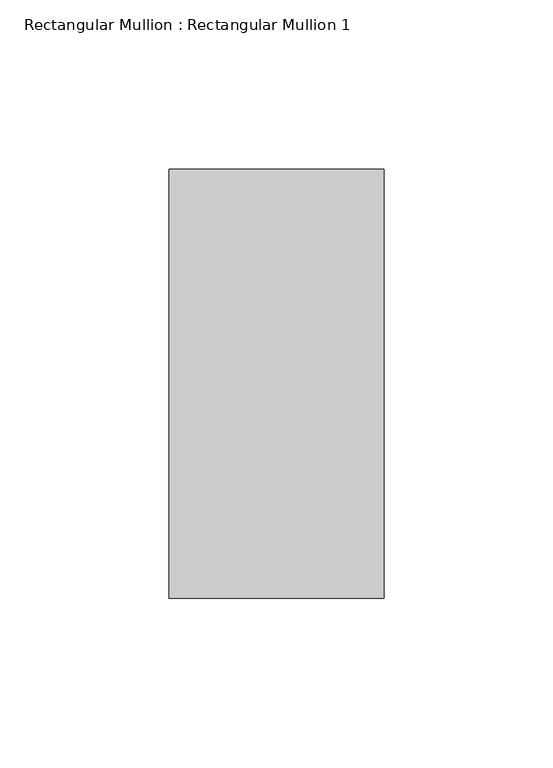
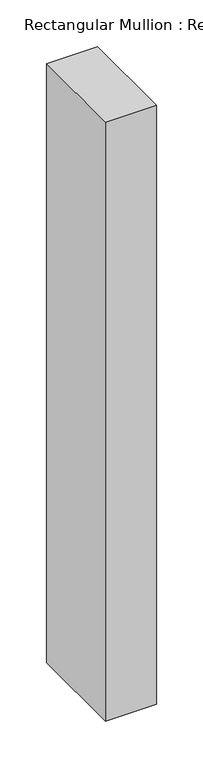
"""IFC4 building model written with IfcOpenShell, lengths in millimetres: member geometry, Rectangular Mullion : Rectangular Mullion 1."""

import ifcopenshell
import ifcopenshell.guid

model = None  # the IFC model being written
_history = None  # IfcOwnerHistory: only IFC2X3 demands one
_inside = {}  # id of a spatial element -> (the spatial element, [elements in it])
_under = {}  # id of a project, library or spatial element -> (it, [spatial elements below it])
_declared = {}  # id of a project -> (the project, [libraries it declares])
_typed = {}  # id of a type object -> (the type object, [elements of that type])
_made_of = {}  # id of a material, layer set ... -> (it, [elements and type objects made of it])


def new_model(schema):
    """Start an empty IFC model of exactly this schema.

    Asked for "IFC4X3", IfcOpenShell would pick the latest addendum, in which some entities
    have other attributes; the version numbers below select the first issue.
    IFC2X3 requires an IfcOwnerHistory on every rooted entity: one is made here for all.
    """
    global model, _history
    if schema == "IFC4X3":
        model = ifcopenshell.file(schema_version=(4, 3, 0, 0))
    else:
        model = ifcopenshell.file(schema=schema)
    _inside.clear()
    _under.clear()
    _declared.clear()
    _typed.clear()
    _made_of.clear()
    _history = None
    if model.schema == "IFC2X3":
        org = make("IfcOrganization", Name="unknown")
        user = make(
            "IfcPersonAndOrganization",
            ThePerson=make("IfcPerson", FamilyName="unknown"),
            TheOrganization=org,
        )
        app = make(
            "IfcApplication",
            ApplicationDeveloper=org,
            Version="unknown",
            ApplicationFullName="unknown",
            ApplicationIdentifier="unknown",
        )
        _history = make(
            "IfcOwnerHistory",
            OwningUser=user,
            OwningApplication=app,
            ChangeAction="ADDED",
            CreationDate=0,
        )
    return model


def make(cls, **values):
    """One entity of the class cls with the attributes given. An attribute that is None is left unset."""
    return model.create_entity(
        cls, **{name: value for name, value in values.items() if value is not None}
    )


def rooted(cls, **values):
    """An entity with a GlobalId (a new one), such as an element, a storey or a relation."""
    return make(cls, GlobalId=ifcopenshell.guid.new(), OwnerHistory=_history, **values)


def si_unit(unit_type, name, prefix=None):
    """IfcSIUnit, for example si_unit("LENGTHUNIT", "METRE", prefix="MILLI")."""
    return make("IfcSIUnit", UnitType=unit_type, Prefix=prefix, Name=name)


def assignment(units):
    """IfcUnitAssignment: the units of a project."""
    return None if units is None else make("IfcUnitAssignment", Units=units)


def point(xyz):
    """IfcCartesianPoint."""
    return None if xyz is None else make("IfcCartesianPoint", Coordinates=xyz)


def direction(xyz):
    """IfcDirection."""
    return None if xyz is None else make("IfcDirection", DirectionRatios=xyz)


def frame(location, z_axis=None, x_axis=None):
    """IfcAxis2Placement3D, a coordinate frame: its origin and axes. An axis left out is left unset."""
    return make(
        "IfcAxis2Placement3D",
        Location=point(location),
        Axis=direction(z_axis),
        RefDirection=direction(x_axis),
    )


def origin():
    """The frame at (0, 0, 0) with its axes left unset."""
    return frame((0.0, 0.0, 0.0))


def place(relative_to, where):
    """IfcLocalPlacement: puts the frame where relative to a parent placement (None: the world)."""
    return make(
        "IfcLocalPlacement", PlacementRelTo=relative_to, RelativePlacement=where
    )


def context(
    kind, dimensions, precision=None, world=None, true_north=None, identifier=None
):
    """IfcGeometricRepresentationContext, for example the 3D "Model" context."""
    return make(
        "IfcGeometricRepresentationContext",
        ContextIdentifier=identifier,
        ContextType=kind,
        CoordinateSpaceDimension=dimensions,
        Precision=precision,
        WorldCoordinateSystem=world,
        TrueNorth=true_north,
    )


def project(units=None, contexts=None):
    """IfcProject with its units and contexts."""
    return rooted(
        "IfcProject",
        Name="project",
        RepresentationContexts=contexts,
        UnitsInContext=assignment(units),
    )


def spatial(cls, under=None, at=None, **own):
    """A site, building, storey or space (cls), placed at a placement, below another one or the project."""
    s = rooted(cls, ObjectPlacement=at, **own)
    if under is not None:
        _under.setdefault(under.id(), (under, []))[1].append(s)
    return s


def polyline(points):
    """IfcPolyline through the points."""
    return make("IfcPolyline", Points=[point(p) for p in points])


def outline(outer, holes=None, kind="AREA"):
    """IfcArbitraryClosedProfileDef: a profile drawn as a closed curve; with holes, ...WithVoids."""
    if holes is None:
        return make("IfcArbitraryClosedProfileDef", ProfileType=kind, OuterCurve=outer)
    return make(
        "IfcArbitraryProfileDefWithVoids",
        ProfileType=kind,
        OuterCurve=outer,
        InnerCurves=holes,
    )


def extrude(swept, where, along, depth):
    """IfcExtrudedAreaSolid: the profile swept, set in the frame where, extruded along a direction by depth."""
    return make(
        "IfcExtrudedAreaSolid",
        SweptArea=swept,
        Position=where,
        ExtrudedDirection=direction(along),
        Depth=depth,
    )


def shape(context_of_items, identifier, shape_type, items):
    """IfcShapeRepresentation: the items that make up one representation, for example the "Body"."""
    return make(
        "IfcShapeRepresentation",
        ContextOfItems=context_of_items,
        RepresentationIdentifier=identifier,
        RepresentationType=shape_type,
        Items=items,
    )


def source(mapping_origin, context_of_items, identifier, shape_type, items):
    """IfcRepresentationMap: a shape defined once, which mapped items show again and again."""
    return make(
        "IfcRepresentationMap",
        MappingOrigin=mapping_origin,
        MappedRepresentation=shape(context_of_items, identifier, shape_type, items),
    )


def transform(
    local_origin,
    x_axis=None,
    y_axis=None,
    z_axis=None,
    scale=None,
    scale2=None,
    scale3=None,
    uniform=True,
):
    """IfcCartesianTransformationOperator3D, or its non-uniform kind. x_axis, y_axis, z_axis: its Axis1, 2, 3."""
    if uniform:
        return make(
            "IfcCartesianTransformationOperator3D",
            Axis1=direction(x_axis),
            Axis2=direction(y_axis),
            LocalOrigin=point(local_origin),
            Scale=scale,
            Axis3=direction(z_axis),
        )
    return make(
        "IfcCartesianTransformationOperator3DnonUniform",
        Axis1=direction(x_axis),
        Axis2=direction(y_axis),
        LocalOrigin=point(local_origin),
        Scale=scale,
        Axis3=direction(z_axis),
        Scale2=scale2,
        Scale3=scale3,
    )


def mapped(mapping_source, mapping_target):
    """IfcMappedItem: shows the shape of a source again, moved by a transform."""
    return make(
        "IfcMappedItem", MappingSource=mapping_source, MappingTarget=mapping_target
    )


def made_of(thing, what):
    """Note that an element or type object is made of a material, layer set ...; save() writes the relation."""
    if what is not None:
        _made_of.setdefault(what.id(), (what, []))[1].append(thing)
    return thing


def element(
    cls,
    number,
    at=None,
    inside=None,
    cuts=None,
    type_object=None,
    material=None,
    context=None,
    identifier="Body",
    shape_type=None,
    held_by="IfcProductDefinitionShape",
    body=None,
    shapes=None,
    **own,
):
    """One element of the class cls, such as IfcWall. Its Tag is "e" and its number.

    at: its placement. inside: the storey or other place that contains it. cuts: it is an
    opening in that element (IfcRelVoidsElement). A single representation is given by context,
    identifier, shape_type and body (its items); several are given by shapes. held_by: the class
    of the entity that holds the representations. save() writes the other relations.
    """
    e = rooted(cls, Tag="e%d" % number, ObjectPlacement=at, **own)
    if body is not None:
        shapes = [shape(context, identifier, shape_type, body)]
    if shapes is not None:
        e.Representation = make(held_by, Representations=shapes)
    if inside is not None:
        _inside.setdefault(inside.id(), (inside, []))[1].append(e)
    if cuts is not None:
        rooted(
            "IfcRelVoidsElement", RelatingBuildingElement=cuts, RelatedOpeningElement=e
        )
    if type_object is not None:
        _typed.setdefault(type_object.id(), (type_object, []))[1].append(e)
    return made_of(e, material)


def aggregate(whole, parts):
    """IfcRelAggregates: a whole, such as a stair, and the parts it consists of."""
    return rooted("IfcRelAggregates", RelatingObject=whole, RelatedObjects=parts)


def save(model, path):
    """Write the relations noted so far, then the file.

    IfcRelAggregates (storeys below a building ...), IfcRelContainedInSpatialStructure (elements
    in a storey), IfcRelDefinesByType, IfcRelAssociatesMaterial and IfcRelDeclares: one each for
    every whole, place, type object, material and project.
    """
    for whole, parts in _under.values():
        aggregate(whole, parts)
    for where, things in _inside.values():
        rooted(
            "IfcRelContainedInSpatialStructure",
            RelatedElements=things,
            RelatingStructure=where,
        )
    for kind, things in _typed.values():
        rooted("IfcRelDefinesByType", RelatedObjects=things, RelatingType=kind)
    for what, things in _made_of.values():
        rooted("IfcRelAssociatesMaterial", RelatedObjects=things, RelatingMaterial=what)
    for by, libraries in _declared.values():
        rooted("IfcRelDeclares", RelatingContext=by, RelatedDefinitions=libraries)
    model.write(path)


def rectangular_mullion_rectangular_mullion_1_a8628ba5(model_context):
    return source(origin(), model_context, "Body", "SweptSolid", [
        extrude(outline(polyline([(0.0, 188.5), (0.0, 61.5), (-63.6, 61.5), (-63.6, 188.5), (0.0, 188.5)])), frame((0.0, 0.0, -786.0), z_axis=(0.0, 0.0, 1.0), x_axis=(1.0, 0.0, 0.0)), (0.0, 0.0, 1.0), 786.0),
    ])


if __name__ == "__main__":
    model = new_model("IFC4")
    model_context = context("Model", 3, world=origin())
    ifc_project = project(units=[si_unit("LENGTHUNIT", "METRE", prefix="MILLI")], contexts=[model_context])
    site = spatial("IfcSite", under=ifc_project)
    building = spatial("IfcBuilding", under=site)
    placement = place(None, origin())
    rectangular_mullion_rectangular_mullion_1_shape = rectangular_mullion_rectangular_mullion_1_a8628ba5(model_context)
    element("IfcMember", 1, ObjectType="Rectangular Mullion : Rectangular Mullion 1", at=placement, inside=building, context=model_context, shape_type="MappedRepresentation", body=[
        mapped(rectangular_mullion_rectangular_mullion_1_shape, transform((0.0, 0.0, 0.0), x_axis=(1.0, 0.0, 0.0), y_axis=(0.0, 1.0, 0.0), z_axis=(0.0, 0.0, 1.0))),
    ])
    save(model, "model.ifc")
